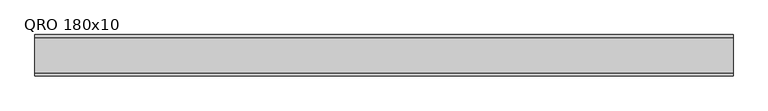
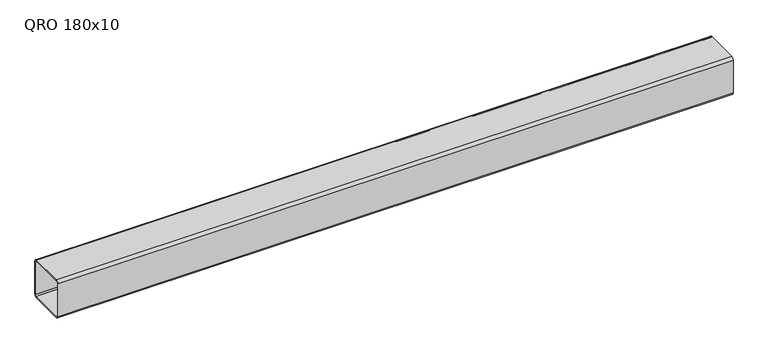
"""IFC4 building model written with IfcOpenShell, lengths in millimetres: beam geometry, QRO 180x10."""

from ifc_helpers import new_model, si_unit, point, frame, frame_2d, origin, place, context, project, spatial, polyline, circle_curve, trimmed, segment, composite_curve, outline, extrude, source, transform, mapped, element, save


def qro_180x10_856ac994(model_context):
    return source(origin(), model_context, "Body", "SweptSolid", [
        extrude(outline(composite_curve([segment(polyline([(90.0, 78.0), (90.0, -78.0)]), True, "CONTINUOUS"), segment(trimmed(circle_curve(frame_2d((78.0, -78.0)), 12.0), [point((90.0, -78.0))], [point((78.0, -90.0))], False, "CARTESIAN"), True, "CONTINUOUS"), segment(polyline([(78.0, -90.0), (-78.0, -90.0)]), True, "CONTINUOUS"), segment(trimmed(circle_curve(frame_2d((-78.0, -78.0)), 12.0), [point((-78.0, -90.0))], [point((-90.0, -78.0))], False, "CARTESIAN"), True, "CONTINUOUS"), segment(polyline([(-90.0, -78.0), (-90.0, 78.0)]), True, "CONTINUOUS"), segment(trimmed(circle_curve(frame_2d((-78.0, 78.0)), 12.0), [point((-90.0, 78.0))], [point((-78.0, 90.0))], False, "CARTESIAN"), True, "CONTINUOUS"), segment(polyline([(-78.0, 90.0), (78.0, 90.0)]), True, "CONTINUOUS"), segment(trimmed(circle_curve(frame_2d((78.0, 78.0)), 12.0), [point((78.0, 90.0))], [point((90.0, 78.0))], False, "CARTESIAN"), True, "CONTINUOUS")], self_intersect=False), holes=[composite_curve([segment(trimmed(circle_curve(frame_2d((-78.0, 78.0)), 6.0), [point((-78.0, 84.0))], [point((-84.0, 78.0))], True, "CARTESIAN"), True, "CONTINUOUS"), segment(polyline([(-84.0, 78.0), (-84.0, -78.0)]), True, "CONTINUOUS"), segment(trimmed(circle_curve(frame_2d((-78.0, -78.0)), 6.0), [point((-84.0, -78.0))], [point((-78.0, -84.0))], True, "CARTESIAN"), True, "CONTINUOUS"), segment(polyline([(-78.0, -84.0), (78.0, -84.0)]), True, "CONTINUOUS"), segment(trimmed(circle_curve(frame_2d((78.0, -78.0)), 6.0), [point((78.0, -84.0))], [point((84.0, -78.0))], True, "CARTESIAN"), True, "CONTINUOUS"), segment(polyline([(84.0, -78.0), (84.0, 78.0)]), True, "CONTINUOUS"), segment(trimmed(circle_curve(frame_2d((78.0, 78.0)), 6.0), [point((84.0, 78.0))], [point((78.0, 84.0))], True, "CARTESIAN"), True, "CONTINUOUS"), segment(polyline([(78.0, 84.0), (-78.0, 84.0)]), True, "CONTINUOUS")], self_intersect=False)]), frame((-1542.6684859, 0.0, 0.0), z_axis=(1.0, 0.0, 0.0), x_axis=(0.0, 1.0, 0.0)), (0.0, 0.0, 1.0), 3050.6420491),
    ])


if __name__ == "__main__":
    model = new_model("IFC4")
    model_context = context("Model", 3, world=origin())
    ifc_project = project(units=[si_unit("LENGTHUNIT", "METRE", prefix="MILLI")], contexts=[model_context])
    site = spatial("IfcSite", under=ifc_project)
    building = spatial("IfcBuilding", under=site)
    placement = place(None, origin())
    qro_180x10_shape = qro_180x10_856ac994(model_context)
    element("IfcBeam", 1, ObjectType="QRO 180x10", at=placement, inside=building, context=model_context, shape_type="MappedRepresentation", body=[
        mapped(qro_180x10_shape, transform((0.0, 0.0, 0.0), x_axis=(1.0, 0.0, 0.0), y_axis=(0.0, 1.0, 0.0), z_axis=(0.0, 0.0, 1.0))),
    ])
    save(model, "model.ifc")
